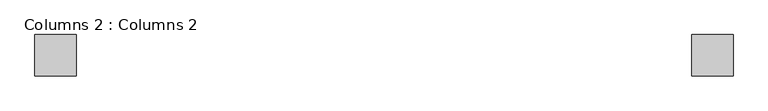
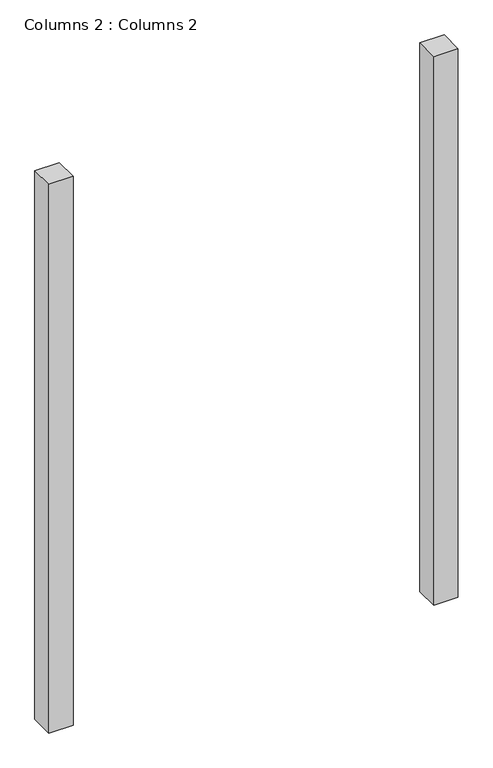
"""IFC4 building model written with IfcOpenShell, lengths in millimetres: column geometry, Columns 2 : Columns 2."""

from ifc_helpers import new_model, si_unit, origin, origin_with_axes, place, context, project, spatial, polyline, outline, extrude, source, transform, mapped, element, save


def columns_2_columns_2_4a48ab9f(model_context):
    return source(origin(), model_context, "Body", "SweptSolid", [
        extrude(outline(polyline([(-147649.5856215, -37169.9529927), (-147649.5856215, -37322.3529927), (-147801.9856215, -37322.3529927), (-147801.9856215, -37169.9529927), (-147649.5856215, -37169.9529927)])), origin_with_axes(), (0.0, 0.0, 1.0), 3657.6),
        extrude(outline(polyline([(-145219.3633126, -37169.9529927), (-145219.3633126, -37322.3529927), (-145371.7633126, -37322.3529927), (-145371.7633126, -37169.9529927), (-145219.3633126, -37169.9529927)])), origin_with_axes(), (0.0, 0.0, 1.0), 3657.6),
    ])


if __name__ == "__main__":
    model = new_model("IFC4")
    model_context = context("Model", 3, world=origin())
    ifc_project = project(units=[si_unit("LENGTHUNIT", "METRE", prefix="MILLI")], contexts=[model_context])
    site = spatial("IfcSite", under=ifc_project)
    building = spatial("IfcBuilding", under=site)
    placement = place(None, origin())
    columns_2_columns_2_shape = columns_2_columns_2_4a48ab9f(model_context)
    element("IfcColumn", 1, ObjectType="Columns 2 : Columns 2", at=placement, inside=building, context=model_context, shape_type="MappedRepresentation", body=[
        mapped(columns_2_columns_2_shape, transform((0.0, 0.0, 0.0), x_axis=(1.0, 0.0, 0.0), y_axis=(0.0, 1.0, 0.0), z_axis=(0.0, 0.0, 1.0))),
    ])
    save(model, "model.ifc")
